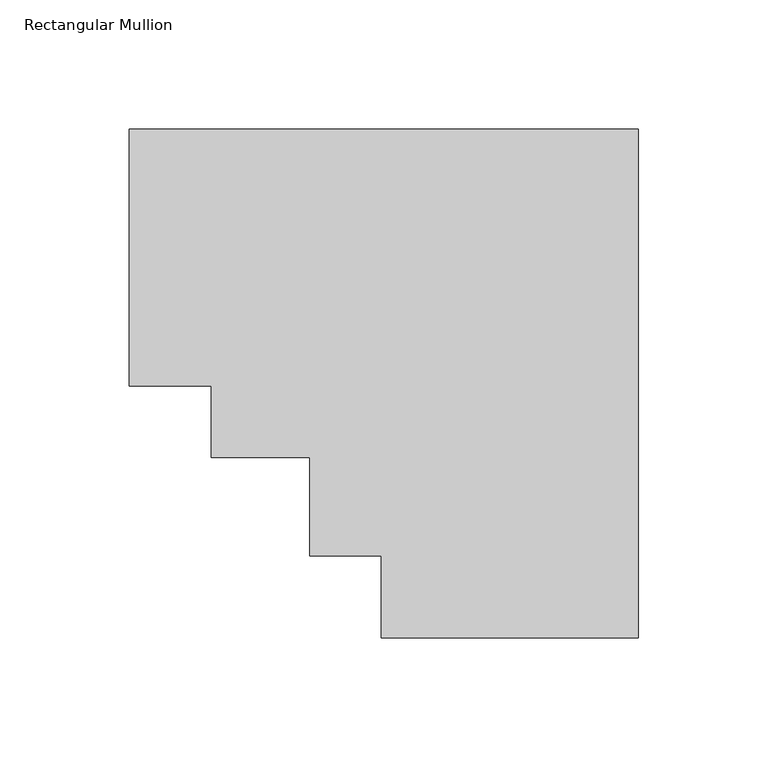
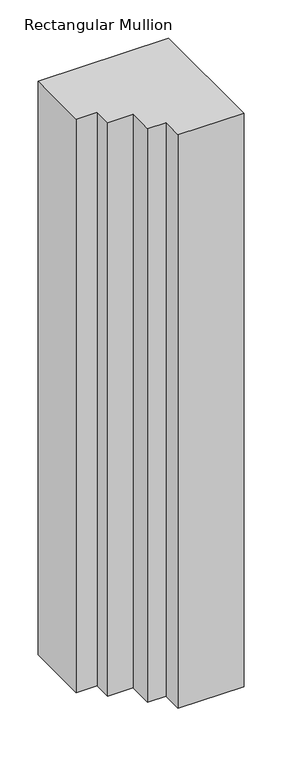
"""IFC4 building model written with IfcOpenShell, lengths in millimetres: member geometry, Rectangular Mullion."""

from ifc_helpers import new_model, si_unit, frame, origin, place, context, project, spatial, polyline, outline, extrude, source, transform, mapped, element, save


def rectangular_mullion_2914c87f(model_context):
    return source(origin(), model_context, "Body", "SweptSolid", [
        extrude(outline(polyline([(-196.85, 138.7038437), (0.0, 138.7038437), (0.0, -58.1461563), (-99.314, -58.1461563), (-99.314, -26.3961563), (-127.0, -26.3961563), (-127.0, 11.7038437), (-165.1, 11.7038437), (-165.1, 39.3898438), (-196.85, 39.3898438), (-196.85, 138.7038437)])), frame((0.0, 0.0, -914.4), z_axis=(0.0, 0.0, 1.0), x_axis=(1.0, 0.0, 0.0)), (0.0, 0.0, 1.0), 914.4),
    ])


if __name__ == "__main__":
    model = new_model("IFC4")
    model_context = context("Model", 3, world=origin())
    ifc_project = project(units=[si_unit("LENGTHUNIT", "METRE", prefix="MILLI")], contexts=[model_context])
    site = spatial("IfcSite", under=ifc_project)
    building = spatial("IfcBuilding", under=site)
    placement = place(None, origin())
    rectangular_mullion_shape = rectangular_mullion_2914c87f(model_context)
    element("IfcMember", 1, ObjectType="Rectangular Mullion", at=placement, inside=building, context=model_context, shape_type="MappedRepresentation", body=[
        mapped(rectangular_mullion_shape, transform((0.0, 0.0, 0.0), x_axis=(1.0, 0.0, 0.0), y_axis=(0.0, 1.0, 0.0), z_axis=(0.0, 0.0, 1.0))),
    ])
    save(model, "model.ifc")
